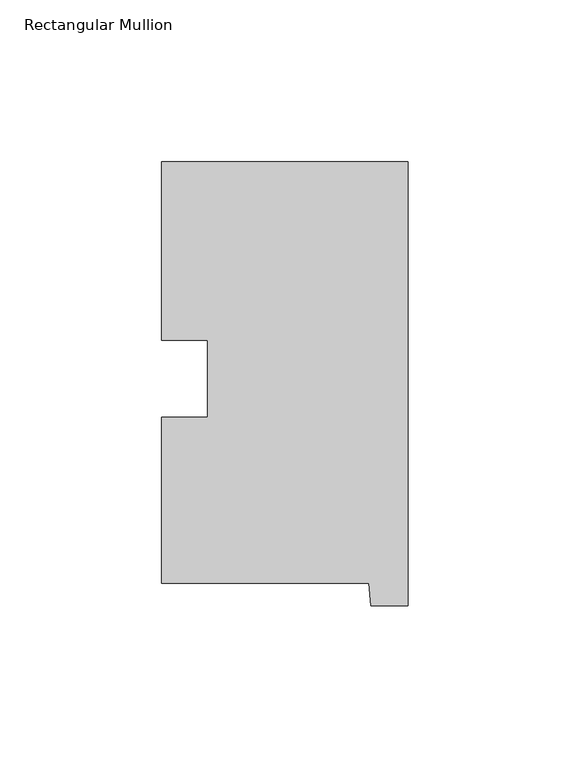
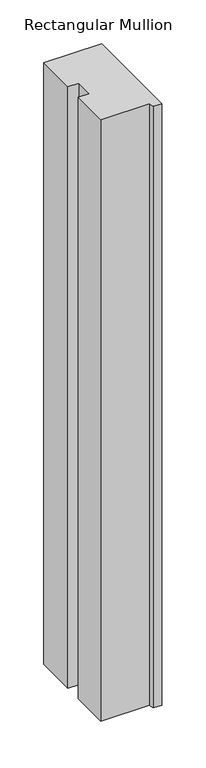
"""IFC4 building model written with IfcOpenShell, lengths in millimetres: member geometry, Rectangular Mullion."""

from ifc_helpers import new_model, si_unit, frame, origin, place, context, project, spatial, polyline, outline, extrude, source, transform, mapped, element, save


def rectangular_mullion_856a1131(model_context):
    return source(origin(), model_context, "Body", "SweptSolid", [
        extrude(outline(polyline([(-76.2, 130.56235), (0.0, 130.56235), (0.0, -6.64845), (-11.4023812, -6.64845), (-12.1549448, 0.26035), (-76.2, 0.26035), (-76.2, 51.60645), (-61.960125, 51.60645), (-61.960125, 75.40625), (-76.2, 75.40625), (-76.2, 130.56235)])), frame((0.0, 0.0, -838.2), z_axis=(0.0, 0.0, 1.0), x_axis=(1.0, 0.0, 0.0)), (0.0, 0.0, 1.0), 838.2),
    ])


if __name__ == "__main__":
    model = new_model("IFC4")
    model_context = context("Model", 3, world=origin())
    ifc_project = project(units=[si_unit("LENGTHUNIT", "METRE", prefix="MILLI")], contexts=[model_context])
    site = spatial("IfcSite", under=ifc_project)
    building = spatial("IfcBuilding", under=site)
    placement = place(None, origin())
    rectangular_mullion_shape = rectangular_mullion_856a1131(model_context)
    element("IfcMember", 1, ObjectType="Rectangular Mullion", at=placement, inside=building, context=model_context, shape_type="MappedRepresentation", body=[
        mapped(rectangular_mullion_shape, transform((0.0, 0.0, 0.0), x_axis=(1.0, 0.0, 0.0), y_axis=(0.0, 1.0, 0.0), z_axis=(0.0, 0.0, 1.0))),
    ])
    save(model, "model.ifc")
